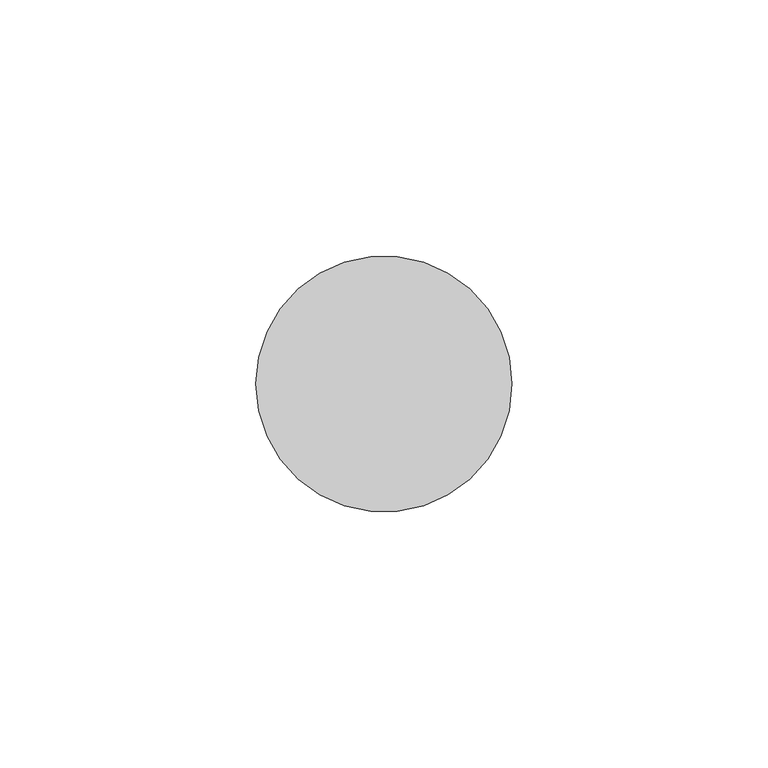
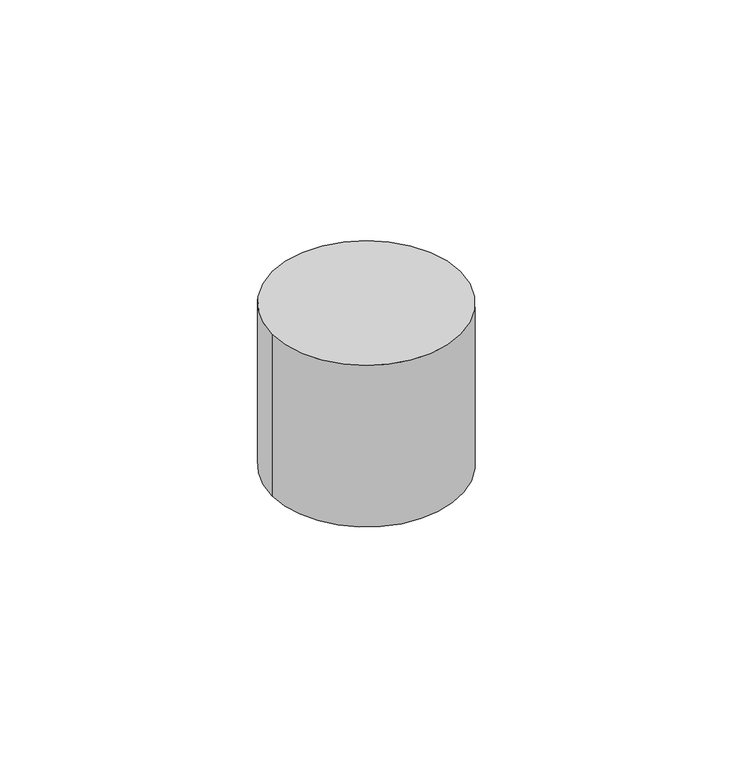
"""IFC4 building model written with IfcOpenShell, lengths in millimetres: member geometry."""

from ifc_helpers import new_model, si_unit, point, frame, origin, origin_2d, place, context, project, spatial, circle_curve, trimmed, segment, composite_curve, outline, extrude, source, transform, mapped, element, save


def member_14c0dc05(model_context):
    return source(origin(), model_context, "Body", "SweptSolid", [
        extrude(outline(composite_curve([segment(trimmed(circle_curve(origin_2d(), 25.0), [point((25.0, 0.0))], [point((-25.0, 0.0))], False, "CARTESIAN"), True, "CONTINUOUS"), segment(trimmed(circle_curve(origin_2d(), 25.0), [point((-25.0, 0.0))], [point((25.0, 0.0))], False, "CARTESIAN"), True, "CONTINUOUS")], self_intersect=False)), frame((0.0, 0.0, -45.3123154), z_axis=(0.0, 0.0, 1.0), x_axis=(1.0, 0.0, 0.0)), (0.0, 0.0, 1.0), 45.3123154),
    ])


if __name__ == "__main__":
    model = new_model("IFC4")
    model_context = context("Model", 3, world=origin())
    ifc_project = project(units=[si_unit("LENGTHUNIT", "METRE", prefix="MILLI")], contexts=[model_context])
    site = spatial("IfcSite", under=ifc_project)
    building = spatial("IfcBuilding", under=site)
    placement = place(None, origin())
    member_shape = member_14c0dc05(model_context)
    element("IfcMember", 1, at=placement, inside=building, context=model_context, shape_type="MappedRepresentation", body=[
        mapped(member_shape, transform((0.0, 0.0, 0.0), x_axis=(1.0, 0.0, 0.0), y_axis=(0.0, 1.0, 0.0), z_axis=(0.0, 0.0, 1.0))),
    ])
    save(model, "model.ifc")
